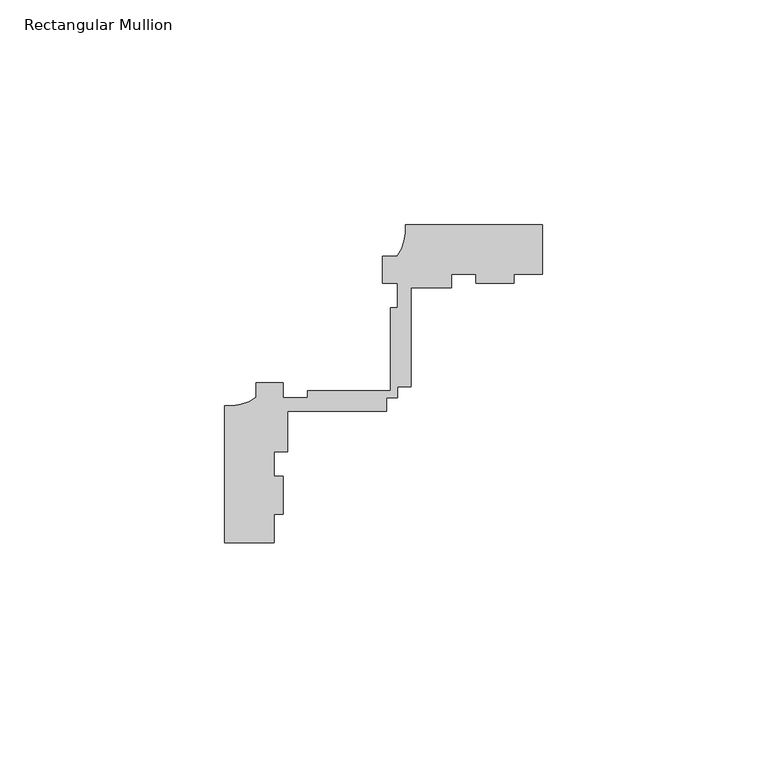
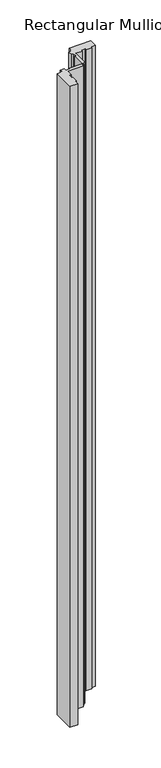
"""IFC4 building model written with IfcOpenShell, lengths in millimetres: member geometry, Rectangular Mullion."""

from ifc_helpers import new_model, si_unit, point, frame, frame_2d, origin, place, context, project, spatial, polyline, circle_curve, trimmed, segment, composite_curve, outline, extrude, source, transform, mapped, element, save


def rectangular_mullion_a7e959cf(model_context):
    return source(origin(), model_context, "Body", "SweptSolid", [
        extrude(outline(composite_curve([segment(polyline([(-59.6999694, -14.9961656), (-70.6999537, -14.9961656), (-70.6999537, 15.3835857)]), True, "CONTINUOUS"), segment(trimmed(circle_curve(frame_2d((-69.8097713, 25.8020156)), 10.4563907), [point((-70.6999537, 15.3835857))], [point((-63.6999537, 17.3163669))], True, "CARTESIAN"), True, "CONTINUOUS"), segment(polyline([(-63.6999537, 17.3163669), (-63.6999537, 20.5038344), (-57.699937, 20.5038344), (-57.699937, 17.2186203), (-52.2108408, 17.2186203), (-52.2108408, 18.8186203), (-33.8147859, 18.8186203), (-33.8147859, 37.2186203), (-32.2147859, 37.2186203), (-32.2147859, 42.703773), (-35.5, 42.703773), (-35.5, 48.7038038), (-32.3125212, 48.7038038)]), True, "CONTINUOUS"), segment(trimmed(circle_curve(frame_2d((-40.7981812, 54.8136057)), 10.4563907), [point((-32.3125212, 48.7038038))], [point((-30.3797514, 55.703788))], True, "CARTESIAN"), True, "CONTINUOUS"), segment(polyline([(-30.3797514, 55.703788), (0.0, 55.703788), (0.0, 44.7038038), (-6.2499874, 44.7038038), (-6.2499874, 42.703773), (-14.7499877, 42.703773), (-14.7499877, 44.7038038), (-20.2147859, 44.7038038), (-20.2147859, 41.6998587), (-29.2147859, 41.6998587), (-29.2147859, 19.6998587), (-32.2147859, 19.6998587), (-32.2147859, 17.2186203), (-34.6960243, 17.2186203), (-34.6960243, 14.2186203), (-56.6960243, 14.2186203), (-56.6960243, 5.2186203), (-59.6999694, 5.2186203), (-59.6999694, -0.246178), (-57.699937, -0.246178), (-57.699937, -8.7363231), (-59.6999694, -8.7363231), (-59.6999694, -14.9961656)]), True, "CONTINUOUS")], self_intersect=False)), frame((0.0, 0.0, -956.8287873), z_axis=(0.0, 0.0, 1.0), x_axis=(1.0, 0.0, 0.0)), (0.0, 0.0, 1.0), 956.8287873),
    ])


if __name__ == "__main__":
    model = new_model("IFC4")
    model_context = context("Model", 3, world=origin())
    ifc_project = project(units=[si_unit("LENGTHUNIT", "METRE", prefix="MILLI")], contexts=[model_context])
    site = spatial("IfcSite", under=ifc_project)
    building = spatial("IfcBuilding", under=site)
    placement = place(None, origin())
    rectangular_mullion_shape = rectangular_mullion_a7e959cf(model_context)
    element("IfcMember", 1, ObjectType="Rectangular Mullion", at=placement, inside=building, context=model_context, shape_type="MappedRepresentation", body=[
        mapped(rectangular_mullion_shape, transform((0.0, 0.0, 0.0), x_axis=(1.0, 0.0, 0.0), y_axis=(0.0, 1.0, 0.0), z_axis=(0.0, 0.0, 1.0))),
    ])
    save(model, "model.ifc")
